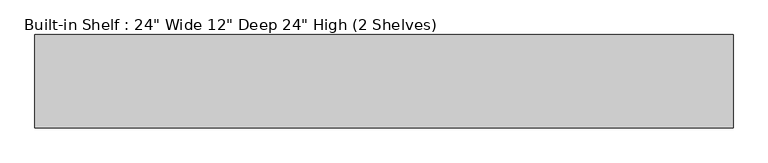
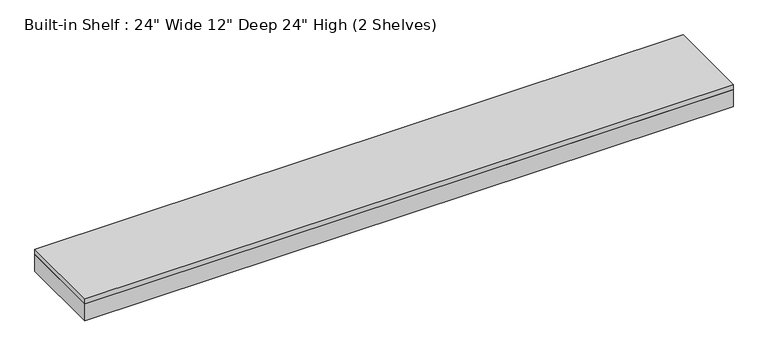
"""IFC4 building model written with IfcOpenShell, lengths in millimetres: furniture geometry."""

from ifc_helpers import new_model, si_unit, frame, origin, place, context, project, spatial, polyline, outline, extrude, source, transform, mapped, element, save


def furniture_f0a544f9(model_context):
    return source(origin(), model_context, "Body", "SweptSolid", [
        extrude(outline(polyline([(1140.7302035, 401.6375), (1140.7302035, 96.8375), (-1140.7302035, 96.8375), (-1140.7302035, 401.6375), (1140.7302035, 401.6375)])), frame((0.0, 0.0, 2114.55), z_axis=(0.0, 0.0, 1.0), x_axis=(1.0, 0.0, 0.0)), (0.0, 0.0, 1.0), 19.05),
        extrude(outline(polyline([(1140.7302035, 96.8375), (-1140.7302035, 96.8375), (-1140.7302035, 401.6375), (-1121.6802035, 401.6375), (-1121.6802035, 115.8875), (1121.6802035, 115.8875), (1121.6802035, 401.6375), (1140.7302035, 401.6375), (1140.7302035, 96.8375)])), frame((0.0, 0.0, 2051.05), z_axis=(0.0, 0.0, 1.0), x_axis=(1.0, 0.0, 0.0)), (0.0, 0.0, 1.0), 63.5),
    ])


if __name__ == "__main__":
    model = new_model("IFC4")
    model_context = context("Model", 3, world=origin())
    ifc_project = project(units=[si_unit("LENGTHUNIT", "METRE", prefix="MILLI")], contexts=[model_context])
    site = spatial("IfcSite", under=ifc_project)
    building = spatial("IfcBuilding", under=site)
    placement = place(None, origin())
    furniture_shape = furniture_f0a544f9(model_context)
    element("IfcFurniture", 1, ObjectType="Built-in Shelf : 24\" Wide 12\" Deep 24\" High (2 Shelves)", at=placement, inside=building, context=model_context, shape_type="MappedRepresentation", body=[
        mapped(furniture_shape, transform((0.0, 0.0, 0.0), x_axis=(1.0, 0.0, 0.0), y_axis=(0.0, 1.0, 0.0), z_axis=(0.0, 0.0, 1.0))),
    ])
    save(model, "model.ifc")
